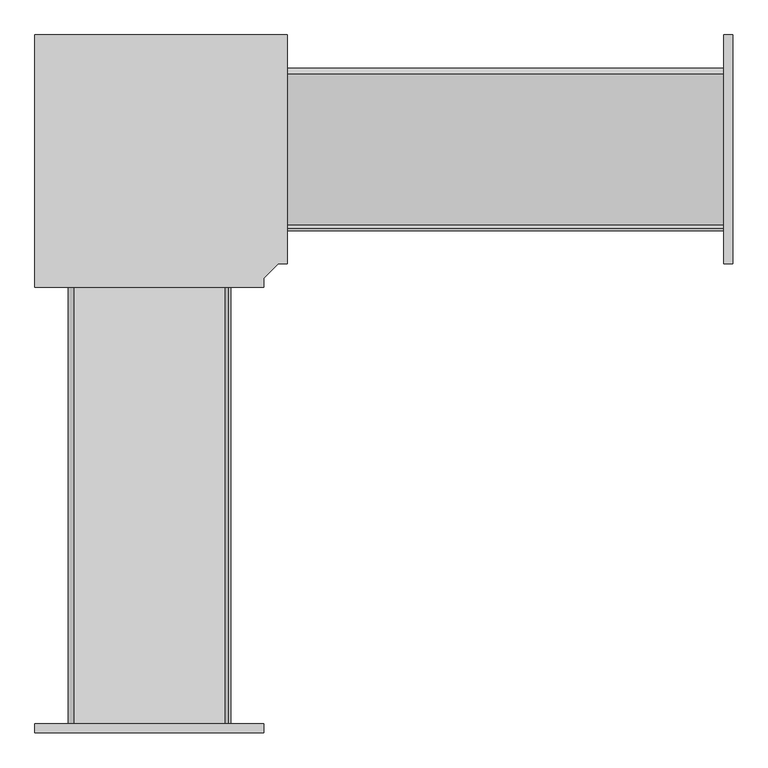
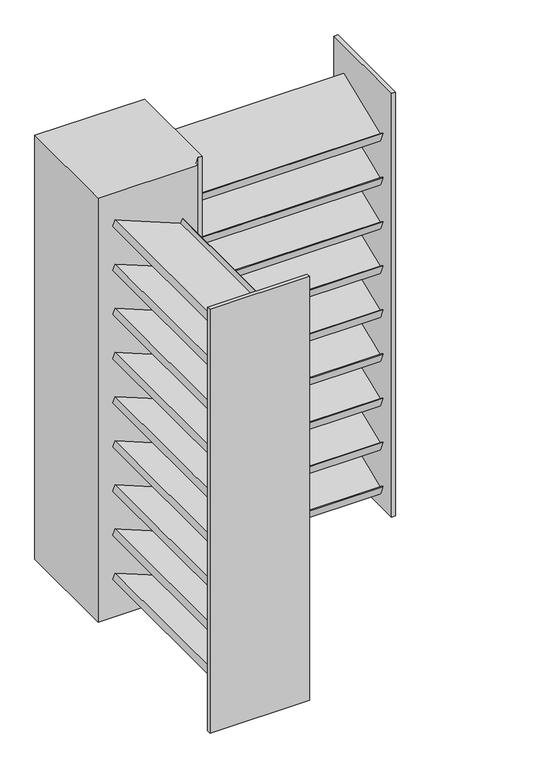
"""IFC4 building model written with IfcOpenShell, lengths in millimetres: furniture geometry."""

from ifc_helpers import new_model, si_unit, frame, origin, place, context, project, spatial, polyline, outline, extrude, source, transform, mapped, element, save


def furniture_f20e779c(model_context):
    return source(origin(), model_context, "Body", "SweptSolid", [
        extrude(outline(polyline([(288.925, 1781.175), (272.0663098, 1822.9017226), (275.0101185, 1824.0910985), (282.3538013, 1805.9148458), (550.2403964, 1914.1480558), (559.7554039, 1890.5975859), (288.925, 1781.175)])), frame((-171.45, 0.0, 0.0), z_axis=(1.0, 0.0, 0.0), x_axis=(0.0, 1.0, 0.0)), (0.0, 0.0, 1.0), 774.7),
        extrude(outline(polyline([(288.925, 1590.675), (272.0663098, 1632.4017226), (275.0101185, 1633.5910985), (282.3538013, 1615.4148458), (550.2403964, 1723.6480558), (559.7554039, 1700.0975859), (288.925, 1590.675)])), frame((-171.45, 0.0, 0.0), z_axis=(1.0, 0.0, 0.0), x_axis=(0.0, 1.0, 0.0)), (0.0, 0.0, 1.0), 774.7),
        extrude(outline(polyline([(288.925, 1400.175), (272.0663098, 1441.9017226), (275.0101185, 1443.0910985), (282.3538013, 1424.9148458), (550.2403964, 1533.1480558), (559.7554039, 1509.5975859), (288.925, 1400.175)])), frame((-171.45, 0.0, 0.0), z_axis=(1.0, 0.0, 0.0), x_axis=(0.0, 1.0, 0.0)), (0.0, 0.0, 1.0), 774.7),
        extrude(outline(polyline([(288.925, 1209.675), (272.0663098, 1251.4017226), (275.0101185, 1252.5910985), (282.3538013, 1234.4148458), (550.2403964, 1342.6480558), (559.7554039, 1319.0975859), (288.925, 1209.675)])), frame((-171.45, 0.0, 0.0), z_axis=(1.0, 0.0, 0.0), x_axis=(0.0, 1.0, 0.0)), (0.0, 0.0, 1.0), 774.7),
        extrude(outline(polyline([(288.925, 1019.175), (272.0663098, 1060.9017226), (275.0101185, 1062.0910985), (282.3538013, 1043.9148458), (550.2403964, 1152.1480558), (559.7554039, 1128.5975859), (288.925, 1019.175)])), frame((-171.45, 0.0, 0.0), z_axis=(1.0, 0.0, 0.0), x_axis=(0.0, 1.0, 0.0)), (0.0, 0.0, 1.0), 774.7),
        extrude(outline(polyline([(288.925, 828.675), (272.0663098, 870.4017226), (275.0101185, 871.5910985), (282.3538013, 853.4148458), (550.2403964, 961.6480558), (559.7554039, 938.0975859), (288.925, 828.675)])), frame((-171.45, 0.0, 0.0), z_axis=(1.0, 0.0, 0.0), x_axis=(0.0, 1.0, 0.0)), (0.0, 0.0, 1.0), 774.7),
        extrude(outline(polyline([(288.925, 638.175), (272.0663098, 679.9017226), (275.0101185, 681.0910985), (282.3538013, 662.9148458), (550.2403964, 771.1480558), (559.7554039, 747.5975859), (288.925, 638.175)])), frame((-171.45, 0.0, 0.0), z_axis=(1.0, 0.0, 0.0), x_axis=(0.0, 1.0, 0.0)), (0.0, 0.0, 1.0), 774.7),
        extrude(outline(polyline([(288.925, 447.675), (272.0663098, 489.4017226), (275.0101185, 490.5910985), (282.3538013, 472.4148458), (550.2403964, 580.6480558), (559.7554039, 557.0975859), (288.925, 447.675)])), frame((-171.45, 0.0, 0.0), z_axis=(1.0, 0.0, 0.0), x_axis=(0.0, 1.0, 0.0)), (0.0, 0.0, 1.0), 774.7),
        extrude(outline(polyline([(257.175, -288.925), (298.9017226, -272.0663098), (300.0910985, -275.0101185), (281.9148458, -282.3538013), (390.1480558, -550.2403964), (366.5975859, -559.7554039), (257.175, -288.925)])), frame((0.0, -603.25, 0.0), z_axis=(0.0, 1.0, 0.0), x_axis=(0.0, 0.0, 1.0)), (0.0, 0.0, 1.0), 774.7),
        extrude(outline(polyline([(447.675, -288.925), (489.4017226, -272.0663098), (490.5910985, -275.0101185), (472.4148458, -282.3538013), (580.6480558, -550.2403964), (557.0975859, -559.7554039), (447.675, -288.925)])), frame((0.0, -603.25, 0.0), z_axis=(0.0, 1.0, 0.0), x_axis=(0.0, 0.0, 1.0)), (0.0, 0.0, 1.0), 774.7),
        extrude(outline(polyline([(638.175, -288.925), (679.9017226, -272.0663098), (681.0910985, -275.0101185), (662.9148458, -282.3538013), (771.1480558, -550.2403964), (747.5975859, -559.7554039), (638.175, -288.925)])), frame((0.0, -603.25, 0.0), z_axis=(0.0, 1.0, 0.0), x_axis=(0.0, 0.0, 1.0)), (0.0, 0.0, 1.0), 774.7),
        extrude(outline(polyline([(828.675, -288.925), (870.4017226, -272.0663098), (871.5910985, -275.0101185), (853.4148458, -282.3538013), (961.6480558, -550.2403964), (938.0975859, -559.7554039), (828.675, -288.925)])), frame((0.0, -603.25, 0.0), z_axis=(0.0, 1.0, 0.0), x_axis=(0.0, 0.0, 1.0)), (0.0, 0.0, 1.0), 774.7),
        extrude(outline(polyline([(1019.175, -288.925), (1060.9017226, -272.0663098), (1062.0910985, -275.0101185), (1043.9148458, -282.3538013), (1152.1480558, -550.2403964), (1128.5975859, -559.7554039), (1019.175, -288.925)])), frame((0.0, -603.25, 0.0), z_axis=(0.0, 1.0, 0.0), x_axis=(0.0, 0.0, 1.0)), (0.0, 0.0, 1.0), 774.7),
        extrude(outline(polyline([(1209.675, -288.925), (1251.4017226, -272.0663098), (1252.5910985, -275.0101185), (1234.4148458, -282.3538013), (1342.6480558, -550.2403964), (1319.0975859, -559.7554039), (1209.675, -288.925)])), frame((0.0, -603.25, 0.0), z_axis=(0.0, 1.0, 0.0), x_axis=(0.0, 0.0, 1.0)), (0.0, 0.0, 1.0), 774.7),
        extrude(outline(polyline([(1400.175, -288.925), (1441.9017226, -272.0663098), (1443.0910985, -275.0101185), (1424.9148458, -282.3538013), (1533.1480558, -550.2403964), (1509.5975859, -559.7554039), (1400.175, -288.925)])), frame((0.0, -603.25, 0.0), z_axis=(0.0, 1.0, 0.0), x_axis=(0.0, 0.0, 1.0)), (0.0, 0.0, 1.0), 774.7),
        extrude(outline(polyline([(1590.675, -288.925), (1632.4017226, -272.0663098), (1633.5910985, -275.0101185), (1615.4148458, -282.3538013), (1723.6480558, -550.2403964), (1700.0975859, -559.7554039), (1590.675, -288.925)])), frame((0.0, -603.25, 0.0), z_axis=(0.0, 1.0, 0.0), x_axis=(0.0, 0.0, 1.0)), (0.0, 0.0, 1.0), 774.7),
        extrude(outline(polyline([(1781.175, -288.925), (1822.9017226, -272.0663098), (1824.0910985, -275.0101185), (1805.9148458, -282.3538013), (1914.1480558, -550.2403964), (1890.5975859, -559.7554039), (1781.175, -288.925)])), frame((0.0, -603.25, 0.0), z_axis=(0.0, 1.0, 0.0), x_axis=(0.0, 0.0, 1.0)), (0.0, 0.0, 1.0), 774.7),
        extrude(outline(polyline([(288.925, 257.175), (272.0663098, 298.9017226), (275.0101185, 300.0910985), (282.3538013, 281.9148458), (550.2403964, 390.1480558), (559.7554039, 366.5975859), (288.925, 257.175)])), frame((-171.45, 0.0, 0.0), z_axis=(1.0, 0.0, 0.0), x_axis=(0.0, 1.0, 0.0)), (0.0, 0.0, 1.0), 774.7),
        extrude(outline(polyline([(-212.725, -603.25), (-212.725, -619.125), (-619.125, -619.125), (-619.125, -603.25), (-212.725, -603.25)])), frame((0.0, 0.0, 203.2), z_axis=(0.0, 0.0, 1.0), x_axis=(1.0, 0.0, 0.0)), (0.0, 0.0, 1.0), 1828.8),
        extrude(outline(polyline([(619.125, 619.125), (619.125, 212.725), (603.25, 212.725), (603.25, 619.125), (619.125, 619.125)])), frame((0.0, 0.0, 203.2), z_axis=(0.0, 0.0, 1.0), x_axis=(1.0, 0.0, 0.0)), (0.0, 0.0, 1.0), 1828.8),
        extrude(outline(polyline([(-619.125, 619.125), (-171.45, 619.125), (-171.45, 212.725), (-187.325, 212.725), (-212.725, 187.325), (-212.725, 171.45), (-619.125, 171.45), (-619.125, 619.125)])), frame((0.0, 0.0, 203.2), z_axis=(0.0, 0.0, 1.0), x_axis=(1.0, 0.0, 0.0)), (0.0, 0.0, 1.0), 1828.8),
    ])


if __name__ == "__main__":
    model = new_model("IFC4")
    model_context = context("Model", 3, world=origin())
    ifc_project = project(units=[si_unit("LENGTHUNIT", "METRE", prefix="MILLI")], contexts=[model_context])
    site = spatial("IfcSite", under=ifc_project)
    building = spatial("IfcBuilding", under=site)
    placement = place(None, origin())
    furniture_shape = furniture_f20e779c(model_context)
    element("IfcFurniture", 1, at=placement, inside=building, context=model_context, shape_type="MappedRepresentation", body=[
        mapped(furniture_shape, transform((0.0, 0.0, 0.0), x_axis=(1.0, 0.0, 0.0), y_axis=(0.0, 1.0, 0.0), z_axis=(0.0, 0.0, 1.0))),
    ])
    save(model, "model.ifc")
